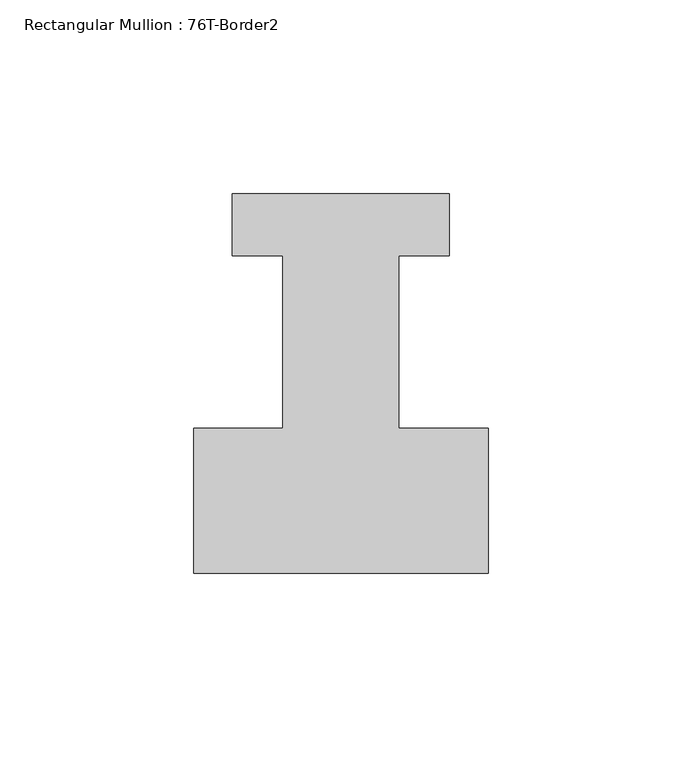
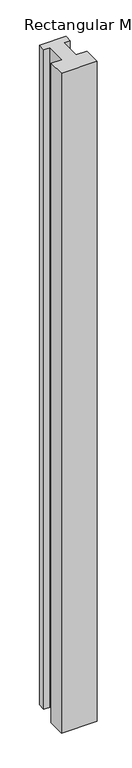
"""IFC4 building model written with IfcOpenShell, lengths in millimetres: member geometry, Rectangular Mullion : 76T-Border2."""

from ifc_helpers import new_model, si_unit, frame, origin, place, context, project, spatial, polyline, outline, extrude, source, transform, mapped, element, save


def rectangular_mullion_76t_border2_20fcdeb3(model_context):
    return source(origin(), model_context, "Body", "SweptSolid", [
        extrude(outline(polyline([(0.0, -38.0), (-76.0, -38.0), (-76.0, -0.5), (-53.0, -0.5), (-53.0, 44.0), (-66.0, 44.0), (-66.0, 60.0), (-10.0, 60.0), (-10.0, 44.0), (-23.0, 44.0), (-23.0, -0.5), (0.0, -0.5), (0.0, -38.0)])), frame((0.0, 0.0, -1477.534293), z_axis=(0.0, 0.0, 1.0), x_axis=(1.0, 0.0, 0.0)), (0.0, 0.0, 1.0), 1477.534293),
    ])


if __name__ == "__main__":
    model = new_model("IFC4")
    model_context = context("Model", 3, world=origin())
    ifc_project = project(units=[si_unit("LENGTHUNIT", "METRE", prefix="MILLI")], contexts=[model_context])
    site = spatial("IfcSite", under=ifc_project)
    building = spatial("IfcBuilding", under=site)
    placement = place(None, origin())
    rectangular_mullion_76t_border2_shape = rectangular_mullion_76t_border2_20fcdeb3(model_context)
    element("IfcMember", 1, ObjectType="Rectangular Mullion : 76T-Border2", at=placement, inside=building, context=model_context, shape_type="MappedRepresentation", body=[
        mapped(rectangular_mullion_76t_border2_shape, transform((0.0, 0.0, 0.0), x_axis=(1.0, 0.0, 0.0), y_axis=(0.0, 1.0, 0.0), z_axis=(0.0, 0.0, 1.0))),
    ])
    save(model, "model.ifc")
